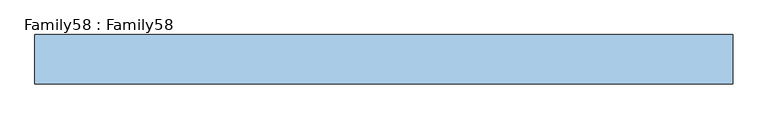
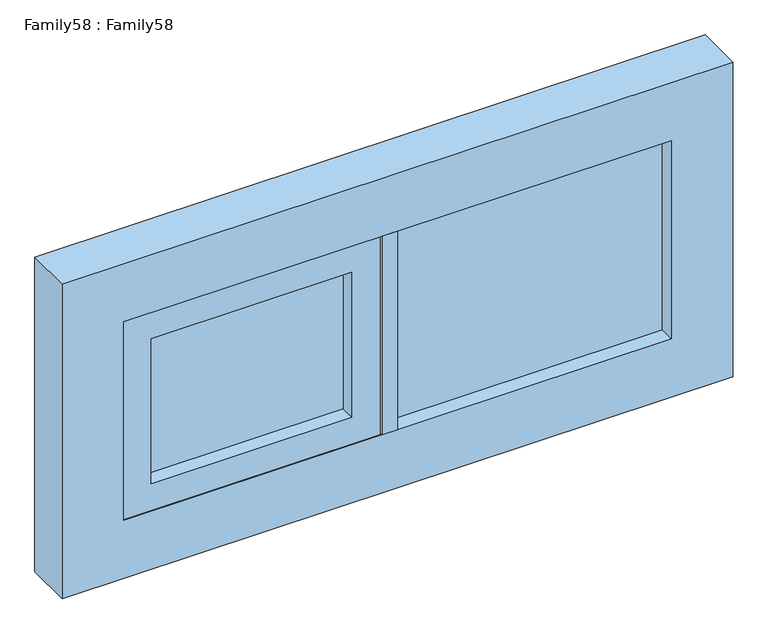
"""IFC4 building model written with IfcOpenShell, lengths in millimetres: window geometry, Family58 : Family58."""

from ifc_helpers import new_model, si_unit, frame, origin, place, context, project, spatial, polyline, outline, extrude, source, transform, mapped, element, save


def family58_family58_48b500c0(model_context):
    return source(origin(), model_context, "Body", "SweptSolid", [
        extrude(outline(polyline([(486.0, -14.0), (0.0, -14.0), (0.0, -10.0), (486.0, -10.0), (486.0, -14.0)])), frame((0.0, 0.0, 909.0), z_axis=(0.0, 0.0, 1.0), x_axis=(1.0, 0.0, 0.0)), (0.0, 0.0, 1.0), 372.0),
        extrude(outline(polyline([(0.0, 10.0), (0.0, 14.0), (486.0, 14.0), (486.0, 10.0), (0.0, 10.0)])), frame((0.0, 0.0, 909.0), z_axis=(0.0, 0.0, 1.0), x_axis=(1.0, 0.0, 0.0)), (0.0, 0.0, 1.0), 372.0),
        extrude(outline(polyline([(-80.0, -14.0), (-436.0, -14.0), (-436.0, -10.0), (-80.0, -10.0), (-80.0, -14.0)])), frame((0.0, 0.0, 959.0), z_axis=(0.0, 0.0, 1.0), x_axis=(1.0, 0.0, 0.0)), (0.0, 0.0, 1.0), 272.0),
        extrude(outline(polyline([(-80.0, 10.0), (-436.0, 10.0), (-436.0, 14.0), (-80.0, 14.0), (-80.0, 10.0)])), frame((0.0, 0.0, 959.0), z_axis=(0.0, 0.0, 1.0), x_axis=(1.0, 0.0, 0.0)), (0.0, 0.0, 1.0), 272.0),
        extrude(outline(polyline([(0.0, 42.0), (0.0, -42.0), (-27.4945996, -42.0), (-27.4945996, 42.0), (0.0, 42.0)])), frame((0.0, 0.0, 909.0), z_axis=(0.0, 0.0, 1.0), x_axis=(1.0, 0.0, 0.0)), (0.0, 0.0, 1.0), 372.0),
        extrude(outline(polyline([(1281.0, -30.0), (1281.0, -486.0), (909.0, -486.0), (909.0, -30.0), (1281.0, -30.0)]), holes=[polyline([(1231.0, -80.0), (959.0, -80.0), (959.0, -436.0), (1231.0, -436.0), (1231.0, -80.0)])]), frame((0.0, -40.0, 0.0), z_axis=(0.0, 1.0, 0.0), x_axis=(0.0, 0.0, 1.0)), (0.0, 0.0, 1.0), 80.0),
        extrude(outline(polyline([(1390.0, 595.0), (1390.0, -595.0), (800.0, -595.0), (800.0, 595.0), (1390.0, 595.0)]), holes=[polyline([(909.0, 486.0), (909.0, -486.0), (1281.0, -486.0), (1281.0, 486.0), (909.0, 486.0)])]), frame((0.0, -42.0, 0.0), z_axis=(0.0, 1.0, 0.0), x_axis=(0.0, 0.0, 1.0)), (0.0, 0.0, 1.0), 84.0),
    ])


if __name__ == "__main__":
    model = new_model("IFC4")
    model_context = context("Model", 3, world=origin())
    ifc_project = project(units=[si_unit("LENGTHUNIT", "METRE", prefix="MILLI")], contexts=[model_context])
    site = spatial("IfcSite", under=ifc_project)
    building = spatial("IfcBuilding", under=site)
    placement = place(None, origin())
    family58_family58_shape = family58_family58_48b500c0(model_context)
    element("IfcWindow", 1, ObjectType="Family58 : Family58", at=placement, inside=building, context=model_context, shape_type="MappedRepresentation", body=[
        mapped(family58_family58_shape, transform((0.0, 0.0, 0.0), x_axis=(1.0, 0.0, 0.0), y_axis=(0.0, 1.0, 0.0), z_axis=(0.0, 0.0, 1.0))),
    ])
    save(model, "model.ifc")
